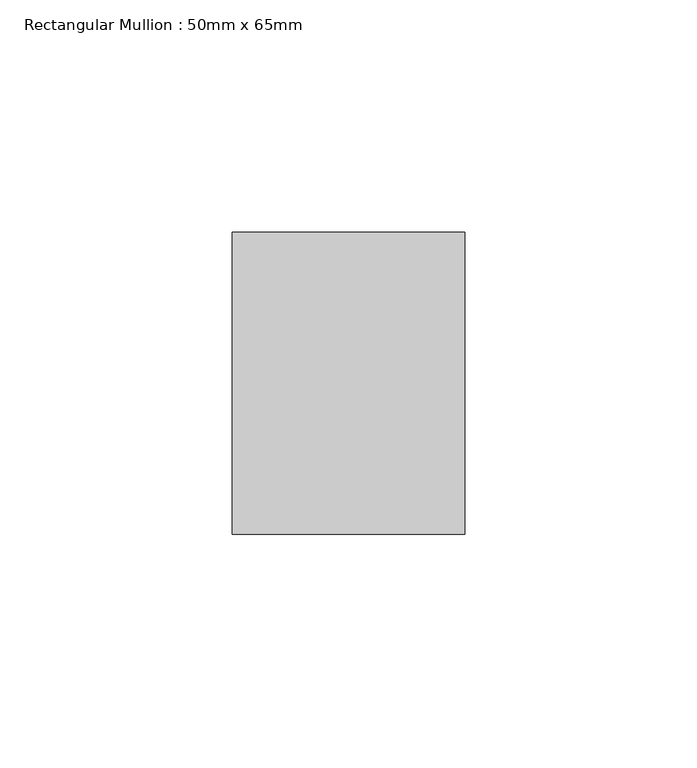
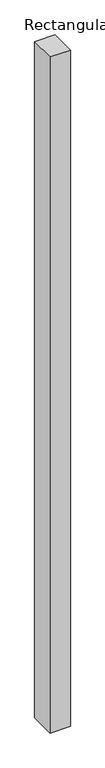
"""IFC4 building model written with IfcOpenShell, lengths in millimetres: member geometry, Rectangular Mullion : 50mm x 65mm."""

from ifc_helpers import new_model, si_unit, frame, origin, place, context, project, spatial, polyline, outline, extrude, source, transform, mapped, element, save


def rectangular_mullion_50mm_x_65mm_0d2ab262(model_context):
    return source(origin(), model_context, "Body", "SweptSolid", [
        extrude(outline(polyline([(25.0, 32.5), (25.0, -32.5), (-25.0, -32.5), (-25.0, 32.5), (25.0, 32.5)])), frame((0.0, 0.0, -1754.4947854), z_axis=(0.0, 0.0, 1.0), x_axis=(1.0, 0.0, 0.0)), (0.0, 0.0, 1.0), 1754.4947854),
    ])


if __name__ == "__main__":
    model = new_model("IFC4")
    model_context = context("Model", 3, world=origin())
    ifc_project = project(units=[si_unit("LENGTHUNIT", "METRE", prefix="MILLI")], contexts=[model_context])
    site = spatial("IfcSite", under=ifc_project)
    building = spatial("IfcBuilding", under=site)
    placement = place(None, origin())
    rectangular_mullion_50mm_x_65mm_shape = rectangular_mullion_50mm_x_65mm_0d2ab262(model_context)
    element("IfcMember", 1, ObjectType="Rectangular Mullion : 50mm x 65mm", at=placement, inside=building, context=model_context, shape_type="MappedRepresentation", body=[
        mapped(rectangular_mullion_50mm_x_65mm_shape, transform((0.0, 0.0, 0.0), x_axis=(1.0, 0.0, 0.0), y_axis=(0.0, 1.0, 0.0), z_axis=(0.0, 0.0, 1.0))),
    ])
    save(model, "model.ifc")
